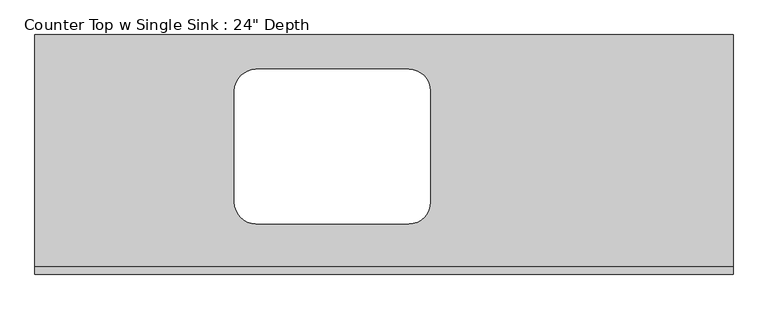
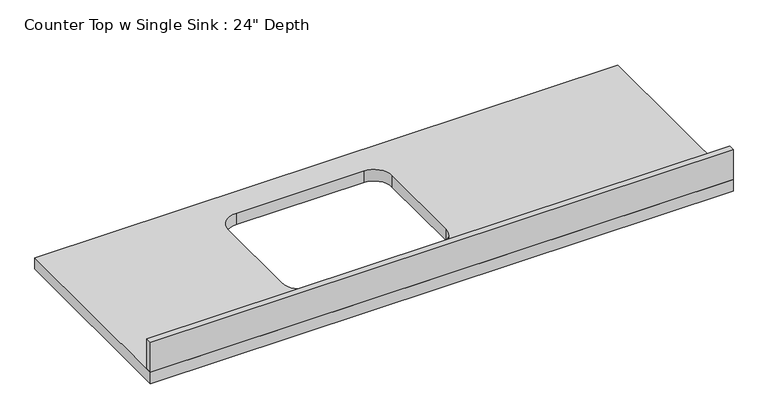
"""IFC4 building model written with IfcOpenShell, lengths in millimetres: furniture geometry."""

from ifc_helpers import new_model, si_unit, point, frame, frame_2d, origin, place, context, project, spatial, polyline, circle_curve, trimmed, segment, composite_curve, outline, extrude, source, transform, mapped, element, save


def furniture_d5e9e46e(model_context):
    return source(origin(), model_context, "Body", "SweptSolid", [
        extrude(outline(polyline([(649.8280076, 0.0), (-1200.4622951, 0.0), (-1200.4622951, 635.0), (649.8280076, 635.0), (649.8280076, 0.0)]), holes=[composite_curve([segment(polyline([(-671.7232323, 486.2327941), (-671.7232323, 190.5)]), True, "CONTINUOUS"), segment(trimmed(circle_curve(frame_2d((-614.5732323, 190.5)), 57.15), [point((-671.7232323, 190.5))], [point((-614.5732323, 133.35))], True, "CARTESIAN"), True, "CONTINUOUS"), segment(polyline([(-614.5732323, 133.35), (-209.6706959, 133.35)]), True, "CONTINUOUS"), segment(trimmed(circle_curve(frame_2d((-209.6706959, 190.5)), 57.15), [point((-209.6706959, 133.35))], [point((-152.5206959, 190.5))], True, "CARTESIAN"), True, "CONTINUOUS"), segment(polyline([(-152.5206959, 190.5), (-152.5206959, 486.2327941)]), True, "CONTINUOUS"), segment(trimmed(circle_curve(frame_2d((-209.6706959, 486.2327941)), 57.15), [point((-152.5206959, 486.2327941))], [point((-209.6706959, 543.3827941))], True, "CARTESIAN"), True, "CONTINUOUS"), segment(polyline([(-209.6706959, 543.3827941), (-614.5732323, 543.3827941)]), True, "CONTINUOUS"), segment(trimmed(circle_curve(frame_2d((-614.5732323, 486.2327941)), 57.15), [point((-614.5732323, 543.3827941))], [point((-671.7232323, 486.2327941))], True, "CARTESIAN"), True, "CONTINUOUS")], self_intersect=False)]), frame((0.0, 0.0, 876.3), z_axis=(0.0, 0.0, 1.0), x_axis=(1.0, 0.0, 0.0)), (0.0, 0.0, 1.0), 38.1),
        extrude(outline(polyline([(-1200.4622951, 0.0), (-1200.4622951, 19.05), (649.8280076, 19.05), (649.8280076, 0.0), (-1200.4622951, 0.0)])), frame((0.0, 0.0, 914.4), z_axis=(0.0, 0.0, 1.0), x_axis=(1.0, 0.0, 0.0)), (0.0, 0.0, 1.0), 101.6),
    ])


if __name__ == "__main__":
    model = new_model("IFC4")
    model_context = context("Model", 3, world=origin())
    ifc_project = project(units=[si_unit("LENGTHUNIT", "METRE", prefix="MILLI")], contexts=[model_context])
    site = spatial("IfcSite", under=ifc_project)
    building = spatial("IfcBuilding", under=site)
    placement = place(None, origin())
    furniture_shape = furniture_d5e9e46e(model_context)
    element("IfcFurniture", 1, ObjectType="Counter Top w Single Sink : 24\" Depth", at=placement, inside=building, context=model_context, shape_type="MappedRepresentation", body=[
        mapped(furniture_shape, transform((0.0, 0.0, 0.0), x_axis=(1.0, 0.0, 0.0), y_axis=(0.0, 1.0, 0.0), z_axis=(0.0, 0.0, 1.0))),
    ])
    save(model, "model.ifc")
